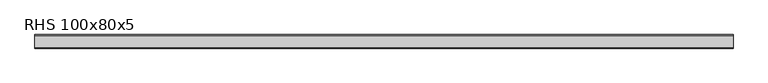
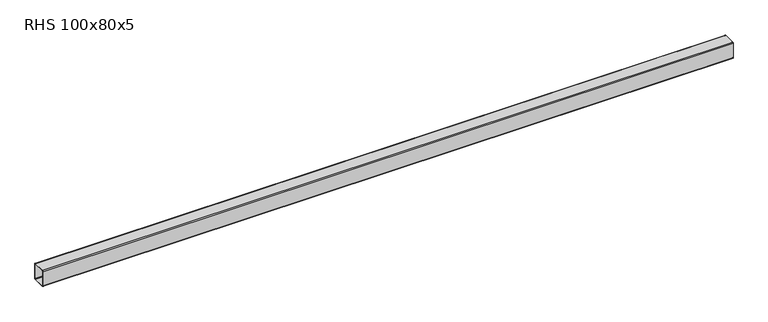
"""IFC4 building model written with IfcOpenShell, lengths in millimetres: beam geometry, RHS 100x80x5."""

from ifc_helpers import new_model, si_unit, point, frame, frame_2d, origin, place, context, project, spatial, polyline, circle_curve, trimmed, segment, composite_curve, outline, extrude, source, transform, mapped, element, save


def rhs_100x80x5_ba0e3009(model_context):
    return source(origin(), model_context, "Body", "SweptSolid", [
        extrude(outline(composite_curve([segment(polyline([(40.0, 45.0), (40.0, -45.0)]), True, "CONTINUOUS"), segment(trimmed(circle_curve(frame_2d((35.0, -45.0)), 5.0), [point((40.0, -45.0))], [point((35.0, -50.0))], False, "CARTESIAN"), True, "CONTINUOUS"), segment(polyline([(35.0, -50.0), (-35.0, -50.0)]), True, "CONTINUOUS"), segment(trimmed(circle_curve(frame_2d((-35.0, -45.0)), 5.0), [point((-35.0, -50.0))], [point((-40.0, -45.0))], False, "CARTESIAN"), True, "CONTINUOUS"), segment(polyline([(-40.0, -45.0), (-40.0, 45.0)]), True, "CONTINUOUS"), segment(trimmed(circle_curve(frame_2d((-35.0, 45.0)), 5.0), [point((-40.0, 45.0))], [point((-35.0, 50.0))], False, "CARTESIAN"), True, "CONTINUOUS"), segment(polyline([(-35.0, 50.0), (35.0, 50.0)]), True, "CONTINUOUS"), segment(trimmed(circle_curve(frame_2d((35.0, 45.0)), 5.0), [point((35.0, 50.0))], [point((40.0, 45.0))], False, "CARTESIAN"), True, "CONTINUOUS")], self_intersect=False), holes=[composite_curve([segment(trimmed(circle_curve(frame_2d((-35.0, 45.0)), 2.5), [point((-35.0, 47.5))], [point((-37.5, 45.0))], True, "CARTESIAN"), True, "CONTINUOUS"), segment(polyline([(-37.5, 45.0), (-37.5, -45.0)]), True, "CONTINUOUS"), segment(trimmed(circle_curve(frame_2d((-35.0, -45.0)), 2.5), [point((-37.5, -45.0))], [point((-35.0, -47.5))], True, "CARTESIAN"), True, "CONTINUOUS"), segment(polyline([(-35.0, -47.5), (35.0, -47.5)]), True, "CONTINUOUS"), segment(trimmed(circle_curve(frame_2d((35.0, -45.0)), 2.5), [point((35.0, -47.5))], [point((37.5, -45.0))], True, "CARTESIAN"), True, "CONTINUOUS"), segment(polyline([(37.5, -45.0), (37.5, 45.0)]), True, "CONTINUOUS"), segment(trimmed(circle_curve(frame_2d((35.0, 45.0)), 2.5), [point((37.5, 45.0))], [point((35.0, 47.5))], True, "CARTESIAN"), True, "CONTINUOUS"), segment(polyline([(35.0, 47.5), (-35.0, 47.5)]), True, "CONTINUOUS")], self_intersect=False)]), frame((-2047.2045215, 0.0, 0.0), z_axis=(1.0, 0.0, 0.0), x_axis=(0.0, 1.0, 0.0)), (0.0, 0.0, 1.0), 4107.1090437),
    ])


if __name__ == "__main__":
    model = new_model("IFC4")
    model_context = context("Model", 3, world=origin())
    ifc_project = project(units=[si_unit("LENGTHUNIT", "METRE", prefix="MILLI")], contexts=[model_context])
    site = spatial("IfcSite", under=ifc_project)
    building = spatial("IfcBuilding", under=site)
    placement = place(None, origin())
    rhs_100x80x5_shape = rhs_100x80x5_ba0e3009(model_context)
    element("IfcBeam", 1, ObjectType="RHS 100x80x5", at=placement, inside=building, context=model_context, shape_type="MappedRepresentation", body=[
        mapped(rhs_100x80x5_shape, transform((0.0, 0.0, 0.0), x_axis=(1.0, 0.0, 0.0), y_axis=(0.0, 1.0, 0.0), z_axis=(0.0, 0.0, 1.0))),
    ])
    save(model, "model.ifc")
